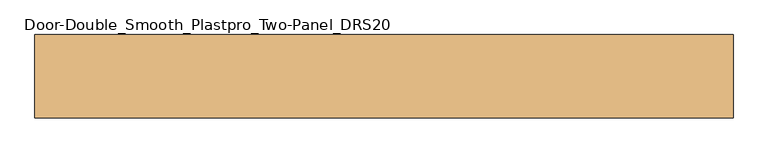
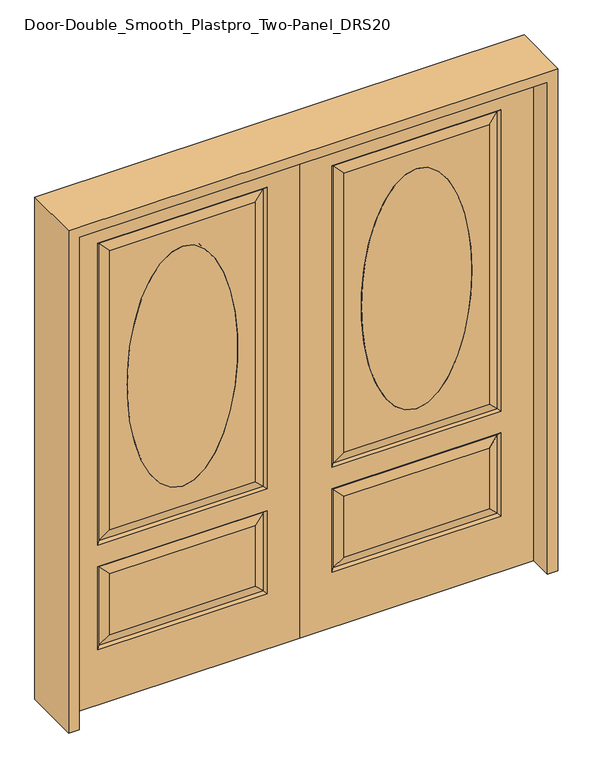
"""IFC4 building model written with IfcOpenShell, lengths in millimetres: door geometry, Door-Double_Smooth_Plastpro_Two-Panel_DRS20."""

from ifc_helpers import new_model, si_unit, point, frame, origin, place, context, project, spatial, polyline, ellipse_curve, trimmed, outline, extrude, source, transform, mapped, element, save
from ifc_brep_helpers import plane_surface, extruded_surface, advanced_brep


def door_double_smooth_plastpro_two_panel_drs20_0746bdea(model_context):
    return source(origin(), model_context, "Body", "SolidModel", [
        advanced_brep(
        [(-457.2, 20.6375, 1778.0), (-457.2, 20.6375, 787.4), (-457.2, -20.6375, 1778.0), (-457.2, -20.6375, 787.4)],
        [
            (0, 1, ellipse_curve(frame((-457.2, 20.6375, 1282.7), z_axis=(0.0, 1.0, 0.0), x_axis=(0.0, 0.0, -1.0)), 495.3, 215.9)),
            (1, 0, ellipse_curve(frame((-457.2, 20.6375, 1282.7), z_axis=(0.0, 1.0, 0.0), x_axis=(0.0, 0.0, -1.0)), 495.3, 215.9)),
            (2, 3, ellipse_curve(frame((-457.2, -20.6375, 1282.7), z_axis=(0.0, -1.0, 0.0), x_axis=(0.0, 0.0, -1.0)), 495.3, 215.9)),
            (3, 2, ellipse_curve(frame((-457.2, -20.6375, 1282.7), z_axis=(0.0, -1.0, 0.0), x_axis=(0.0, 0.0, -1.0)), 495.3, 215.9)),
            (3, 1),
            (0, 2),
        ],
        [
            plane_surface(frame((-457.2, 20.6375, 787.4), z_axis=(0.0, 1.0, 0.0), x_axis=(1.0, 0.0, 0.0))),
            plane_surface(frame((-457.2, -20.6375, 787.4), z_axis=(0.0, -1.0, 0.0), x_axis=(-1.0, 0.0, 0.0))),
            extruded_surface(trimmed(ellipse_curve(frame((-457.2, 20.6375, 1282.7), z_axis=(0.0, 1.0, 0.0), x_axis=(0.0, 0.0, -1.0)), 495.3, 215.9), [point((-457.2, 20.6375, 1778.0))], [point((-457.2, 20.6375, 787.4))], True, "CARTESIAN"), (0.0, 41.275000000000006, 0.0), 41.275000000000006),
            extruded_surface(trimmed(ellipse_curve(frame((-457.2, 20.6375, 1282.7), z_axis=(0.0, 1.0, 0.0), x_axis=(0.0, 0.0, -1.0)), 495.3, 215.9), [point((-457.2, 20.6375, 787.4))], [point((-457.2, 20.6375, 1778.0))], True, "CARTESIAN"), (0.0, 41.275000000000006, 0.0), 41.275000000000006),
        ],
        [
            (0, [[1, 2]]),
            (1, [[3, 4]]),
            (2, [[5, -1, 6, -4]]),
            (3, [[-6, -2, -5, -3]]),
        ],
    ),
        advanced_brep(
        [(-127.0, -20.6375, 228.6), (-127.0, -20.6375, 571.5), (-135.9802561, -11.6572439, 562.5197439), (-135.9802561, -11.6572439, 237.5802561), (-778.4197439, -11.6572439, 237.5802561), (-787.4, -20.6375, 228.6), (-914.4, 20.6375, 0.0), (0.0, 20.6375, 0.0), (0.0, -20.6375, 0.0), (-914.4, -20.6375, 0.0), (-914.4, -20.6375, 2032.0), (0.0, -20.6375, 2032.0), (-787.4, -20.6375, 660.4), (-787.4, -20.6375, 1905.0), (-127.0, -20.6375, 1905.0), (-127.0, -20.6375, 660.4), (-787.4, -20.6375, 571.5), (-173.0375, -20.6375, 274.6375), (-173.0375, -20.6375, 525.4625), (-741.3625, -20.6375, 525.4625), (-741.3625, -20.6375, 274.6375), (-173.0375, -20.6375, 706.4375), (-173.0375, -20.6375, 1858.9625), (-741.3625, -20.6375, 1858.9625), (-741.3625, -20.6375, 706.4375), (-457.2, -20.6375, 787.4), (-457.2, -20.6375, 1778.0), (-127.0, 20.6375, 1905.0), (-127.0, 20.6375, 660.4), (-135.9802561, 11.6572439, 669.3802561), (-135.9802561, 11.6572439, 1896.0197439), (-787.4, 20.6375, 660.4), (-778.4197439, 11.6572439, 669.3802561), (-778.4197439, 11.6572439, 1896.0197439), (-787.4, 20.6375, 1905.0), (-741.3625, 20.6375, 1858.9625), (-741.3625, 20.6375, 706.4375), (-173.0375, 20.6375, 706.4375), (-173.0375, 20.6375, 1858.9625), (-778.4197439, 11.6572439, 562.5197439), (-787.4, 20.6375, 571.5), (-127.0, 20.6375, 571.5), (-135.9802561, 11.6572439, 562.5197439), (-741.3625, 20.6375, 525.4625), (-741.3625, 20.6375, 274.6375), (-778.4197439, 11.6572439, 237.5802561), (-135.9802561, 11.6572439, 237.5802561), (-173.0375, 20.6375, 274.6375), (-173.0375, 20.6375, 525.4625), (-457.2, 20.6375, 1778.0), (-457.2, 20.6375, 787.4), (-135.9802561, -11.6572439, 1896.0197439), (-135.9802561, -11.6572439, 669.3802561), (-914.4, 20.6375, 2032.0), (0.0, 20.6375, 2032.0), (-787.4, 20.6375, 228.6), (-127.0, 20.6375, 228.6), (-778.4197439, -11.6572439, 669.3802561), (-778.4197439, -11.6572439, 1896.0197439), (-778.4197439, -11.6572439, 562.5197439)],
        [
            (0, 1),
            (1, 2),
            (2, 3),
            (3, 0),
            (4, 5),
            (5, 0),
            (3, 4),
            (6, 7),
            (7, 8),
            (8, 9),
            (9, 6),
            (10, 9),
            (8, 11),
            (11, 10),
            (12, 13),
            (13, 14),
            (14, 15),
            (15, 12),
            (5, 16),
            (16, 1),
            (17, 18),
            (18, 19),
            (19, 20),
            (20, 17),
            (21, 22),
            (22, 23),
            (23, 24),
            (24, 21),
            (25, 26, ellipse_curve(frame((-457.2, -20.6375, 1282.7), z_axis=(0.0, 1.0, 0.0), x_axis=(0.0, 0.0, -1.0)), 495.3, 215.9)),
            (26, 25, ellipse_curve(frame((-457.2, -20.6375, 1282.7), z_axis=(0.0, 1.0, 0.0), x_axis=(0.0, 0.0, -1.0)), 495.3, 215.9)),
            (27, 28),
            (28, 29),
            (29, 30),
            (30, 27),
            (28, 31),
            (31, 32),
            (32, 29),
            (33, 32),
            (31, 34),
            (34, 33),
            (35, 36),
            (36, 32),
            (33, 35),
            (36, 37),
            (37, 29),
            (37, 38),
            (38, 30),
            (39, 40),
            (40, 41),
            (41, 42),
            (42, 39),
            (43, 44),
            (44, 45),
            (45, 39),
            (39, 43),
            (42, 46),
            (46, 47),
            (47, 48),
            (48, 42),
            (26, 49),
            (49, 50, ellipse_curve(frame((-457.2, 20.6375, 1282.7), z_axis=(0.0, 1.0, 0.0), x_axis=(0.0, 0.0, -1.0)), 495.3, 215.9)),
            (50, 25),
            (14, 51),
            (51, 52),
            (52, 15),
            (51, 22),
            (21, 52),
            (53, 6),
            (10, 53),
            (7, 54),
            (54, 11),
            (53, 54),
            (40, 55),
            (55, 56),
            (56, 41),
            (27, 34),
            (47, 44),
            (43, 48),
            (35, 38),
            (49, 50, ellipse_curve(frame((-457.2, 20.6375, 1282.7), z_axis=(0.0, -1.0, 0.0), x_axis=(0.0, 0.0, -1.0)), 495.3, 215.9)),
            (56, 46),
            (55, 45),
            (45, 46),
            (57, 12),
            (52, 57),
            (57, 58),
            (58, 13),
            (24, 57),
            (23, 58),
            (16, 59),
            (59, 2),
            (4, 59),
            (3, 17),
            (20, 4),
            (19, 59),
            (18, 2),
            (58, 51),
            (30, 33),
        ],
        [
            plane_surface(frame((-127.0, -20.6375, 228.6), z_axis=(-0.7071067811865462, -0.7071067811865489, 0.0), x_axis=(0.0, 0.0, 1.0))),
            plane_surface(frame((-787.4, -20.6375, 228.6), z_axis=(0.0, -0.7071067811865489, 0.7071067811865462), x_axis=(1.0, 0.0, 0.0))),
            plane_surface(frame((0.0, 20.6375, 0.0), z_axis=(0.0, 0.0, -1.0), x_axis=(-1.0, 0.0, 0.0))),
            plane_surface(frame((0.0, -20.6375, 2032.0), z_axis=(0.0, -1.0, 0.0), x_axis=(0.0, 0.0, -1.0))),
            plane_surface(frame((-127.0, 20.6375, 1905.0), z_axis=(-0.7071067811865436, 0.7071067811865516, 0.0), x_axis=(0.0, 0.0, -1.0))),
            plane_surface(frame((-127.0, 20.6375, 660.4), z_axis=(0.0, 0.7071067811865516, 0.7071067811865436), x_axis=(-1.0, 0.0, 0.0))),
            plane_surface(frame((-787.4, 20.6375, 660.4), z_axis=(0.7071067811865436, 0.7071067811865516, 0.0), x_axis=(0.0, 0.0, 1.0))),
            plane_surface(frame((-778.4197439, 11.6572439, 669.3802561), z_axis=(-0.2355178326930706, 0.9718700275672457, 0.0), x_axis=(0.0, 0.0, 1.0))),
            plane_surface(frame((-135.9802561, 11.6572439, 669.3802561), z_axis=(0.0, 0.9718700275672457, -0.2355178326930706), x_axis=(-1.0, 0.0, 0.0))),
            plane_surface(frame((-135.9802561, 11.6572439, 1896.0197439), z_axis=(0.2355178326930706, 0.9718700275672457, 0.0), x_axis=(0.0, 0.0, -1.0))),
            plane_surface(frame((-787.4, 20.6375, 571.5), z_axis=(0.0, 0.7071067811865542, -0.7071067811865409), x_axis=(1.0, 0.0, 0.0))),
            plane_surface(frame((-778.4197439, 11.6572439, 237.5802561), z_axis=(-0.2355178326930706, 0.9718700275672457, 0.0), x_axis=(0.0, 0.0, 1.0))),
            plane_surface(frame((-135.9802561, 11.6572439, 562.5197439), z_axis=(0.2355178326930706, 0.9718700275672457, 0.0), x_axis=(0.0, 0.0, -1.0))),
            extruded_surface(trimmed(ellipse_curve(frame((-457.2, 61.9125, 1282.7), z_axis=(0.0, 1.0, 0.0), x_axis=(0.0, 0.0, -1.0)), 495.3, 215.9), [point((-457.2, 61.9125, 1778.0))], [point((-457.2, 61.9125, 787.4))], True, "CARTESIAN"), (0.0, -41.275000000000006, 0.0), 41.275000000000006),
            plane_surface(frame((-127.0, -20.6375, 660.4), z_axis=(-0.7071067811865486, -0.7071067811865466, 0.0), x_axis=(0.0, 0.0, 1.0))),
            plane_surface(frame((-135.9802561, -11.6572439, 669.3802561), z_axis=(0.23551783269307167, -0.9718700275672454, 0.0), x_axis=(0.0, 0.0, 1.0))),
            plane_surface(frame((-914.4, -20.6375, 2032.0), z_axis=(-1.0, 0.0, 0.0), x_axis=(0.0, 0.0, -1.0))),
            plane_surface(frame((0.0, 20.6375, 2032.0), z_axis=(1.0, 0.0, 0.0), x_axis=(0.0, 0.0, -1.0))),
            plane_surface(frame((-914.4, 20.6375, 2032.0), z_axis=(0.0, 1.0, 0.0), x_axis=(0.0, 0.0, -1.0))),
            plane_surface(frame((-127.0, 20.6375, 571.5), z_axis=(-0.7071067811865409, 0.7071067811865542, 0.0), x_axis=(0.0, 0.0, -1.0))),
            plane_surface(frame((-127.0, 20.6375, 228.6), z_axis=(0.0, 0.7071067811865542, 0.7071067811865409), x_axis=(-1.0, 0.0, 0.0))),
            plane_surface(frame((-787.4, 20.6375, 228.6), z_axis=(0.7071067811865409, 0.7071067811865542, 0.0), x_axis=(0.0, 0.0, 1.0))),
            plane_surface(frame((-778.4197439, 11.6572439, 562.5197439), z_axis=(0.0, 0.9718700275672457, 0.2355178326930706), x_axis=(1.0, 0.0, 0.0))),
            plane_surface(frame((-135.9802561, 11.6572439, 237.5802561), z_axis=(0.0, 0.9718700275672457, -0.2355178326930706), x_axis=(-1.0, 0.0, 0.0))),
            extruded_surface(trimmed(ellipse_curve(frame((-457.2, 61.9125, 1282.7), z_axis=(0.0, 1.0, 0.0), x_axis=(0.0, 0.0, -1.0)), 495.3, 215.9), [point((-457.2, 61.9125, 787.4))], [point((-457.2, 61.9125, 1778.0))], True, "CARTESIAN"), (0.0, -41.275000000000006, 0.0), 41.275000000000006),
            plane_surface(frame((-787.4, -20.6375, 660.4), z_axis=(0.0, -0.7071067811865466, 0.7071067811865486), x_axis=(1.0, 0.0, 0.0))),
            plane_surface(frame((-787.4, -20.6375, 1905.0), z_axis=(0.7071067811865486, -0.7071067811865466, 0.0), x_axis=(0.0, 0.0, -1.0))),
            plane_surface(frame((-778.4197439, -11.6572439, 669.3802561), z_axis=(0.0, -0.9718700275672454, -0.23551783269307167), x_axis=(1.0, 0.0, 0.0))),
            plane_surface(frame((-778.4197439, -11.6572439, 1896.0197439), z_axis=(-0.23551783269307167, -0.9718700275672454, 0.0), x_axis=(0.0, 0.0, -1.0))),
            plane_surface(frame((-127.0, -20.6375, 571.5), z_axis=(0.0, -0.7071067811865489, -0.7071067811865462), x_axis=(-1.0, 0.0, 0.0))),
            plane_surface(frame((-787.4, -20.6375, 571.5), z_axis=(0.7071067811865462, -0.7071067811865489, 0.0), x_axis=(0.0, 0.0, -1.0))),
            plane_surface(frame((-778.4197439, -11.6572439, 237.5802561), z_axis=(0.0, -0.9718700275672454, -0.2355178326930719), x_axis=(1.0, 0.0, 0.0))),
            plane_surface(frame((-778.4197439, -11.6572439, 562.5197439), z_axis=(-0.2355178326930719, -0.9718700275672454, 0.0), x_axis=(0.0, 0.0, -1.0))),
            plane_surface(frame((-135.9802561, -11.6572439, 562.5197439), z_axis=(0.0, -0.9718700275672454, 0.2355178326930719), x_axis=(-1.0, 0.0, 0.0))),
            plane_surface(frame((-135.9802561, -11.6572439, 237.5802561), z_axis=(0.2355178326930719, -0.9718700275672454, 0.0), x_axis=(0.0, 0.0, 1.0))),
            plane_surface(frame((0.0, 20.6375, 2032.0), z_axis=(0.0, 0.0, 1.0), x_axis=(1.0, 0.0, 0.0))),
            plane_surface(frame((-127.0, -20.6375, 1905.0), z_axis=(0.0, -0.7071067811865466, -0.7071067811865486), x_axis=(-1.0, 0.0, 0.0))),
            plane_surface(frame((-135.9802561, -11.6572439, 1896.0197439), z_axis=(0.0, -0.9718700275672454, 0.23551783269307167), x_axis=(-1.0, 0.0, 0.0))),
            plane_surface(frame((-787.4, 20.6375, 1905.0), z_axis=(0.0, 0.7071067811865516, -0.7071067811865436), x_axis=(1.0, 0.0, 0.0))),
            plane_surface(frame((-778.4197439, 11.6572439, 1896.0197439), z_axis=(0.0, 0.9718700275672457, 0.2355178326930706), x_axis=(1.0, 0.0, 0.0))),
        ],
        [
            (0, [[1, 2, 3, 4]]),
            (1, [[5, 6, -4, 7]]),
            (2, [[8, 9, 10, 11]]),
            (3, [[12, -10, 13, 14], [15, 16, 17, 18], [19, 20, -1, -6]]),
            (3, [[21, 22, 23, 24]]),
            (3, [[25, 26, 27, 28], [29, 30]]),
            (4, [[31, 32, 33, 34]]),
            (5, [[35, 36, 37, -32]]),
            (6, [[38, -36, 39, 40]]),
            (7, [[41, 42, -38, 43]]),
            (8, [[-37, -42, 44, 45]]),
            (9, [[-33, -45, 46, 47]]),
            (10, [[48, 49, 50, 51]]),
            (11, [[52, 53, 54, 55]]),
            (12, [[56, 57, 58, 59]]),
            (13, [[-30, 60, 61, 62]]),
            (14, [[-17, 63, 64, 65]]),
            (15, [[-64, 66, -25, 67]]),
            (16, [[68, -11, -12, 69]]),
            (17, [[-13, -9, 70, 71]]),
            (18, [[-70, -8, -68, 72], [73, 74, 75, -49], [-39, -35, -31, 76]]),
            (18, [[-58, 77, -52, 78]]),
            (18, [[-46, -44, -41, 79], [80, -61]]),
            (19, [[-75, 81, -56, -50]]),
            (20, [[-74, 82, 83, -81]]),
            (21, [[-54, -82, -73, -48]]),
            (22, [[-59, -78, -55, -51]]),
            (23, [[-83, -53, -77, -57]]),
            (24, [[-80, -60, -29, -62]]),
            (25, [[84, -18, -65, 85]]),
            (26, [[86, 87, -15, -84]]),
            (27, [[-67, -28, 88, -85]]),
            (28, [[-27, 89, -86, -88]]),
            (29, [[-20, 90, 91, -2]]),
            (30, [[92, -90, -19, -5]]),
            (31, [[93, -24, 94, -7]]),
            (32, [[-23, 95, -92, -94]]),
            (33, [[-91, -95, -22, 96]]),
            (34, [[-3, -96, -21, -93]]),
            (35, [[-69, -14, -71, -72]]),
            (36, [[-16, -87, 97, -63]]),
            (37, [[-97, -89, -26, -66]]),
            (38, [[-40, -76, -34, 98]]),
            (39, [[-47, -79, -43, -98]]),
        ],
    ),
        advanced_brep(
        [(457.2, 20.6375, 1778.0), (457.2, 20.6375, 787.4), (457.2, -20.6375, 1778.0), (457.2, -20.6375, 787.4)],
        [
            (0, 1, ellipse_curve(frame((457.2, 20.6375, 1282.7), z_axis=(0.0, 1.0, 0.0), x_axis=(0.0, 0.0, -1.0)), 495.3, 215.9)),
            (1, 0, ellipse_curve(frame((457.2, 20.6375, 1282.7), z_axis=(0.0, 1.0, 0.0), x_axis=(0.0, 0.0, -1.0)), 495.3, 215.9)),
            (2, 3, ellipse_curve(frame((457.2, -20.6375, 1282.7), z_axis=(0.0, -1.0, 0.0), x_axis=(0.0, 0.0, -1.0)), 495.3, 215.9)),
            (3, 2, ellipse_curve(frame((457.2, -20.6375, 1282.7), z_axis=(0.0, -1.0, 0.0), x_axis=(0.0, 0.0, -1.0)), 495.3, 215.9)),
            (2, 0),
            (1, 3),
        ],
        [
            plane_surface(frame((457.2, 20.6375, 787.4), z_axis=(0.0, 1.0, 0.0), x_axis=(-1.0, 0.0, 0.0))),
            plane_surface(frame((457.2, -20.6375, 787.4), z_axis=(0.0, -1.0, 0.0), x_axis=(1.0, 0.0, 0.0))),
            extruded_surface(trimmed(ellipse_curve(frame((457.2, 61.9125, 1282.7), z_axis=(0.0, -1.0, 0.0), x_axis=(0.0, 0.0, -1.0)), 495.3, 215.9), [point((457.2, 61.9125, 1778.0))], [point((457.2, 61.9125, 787.4))], True, "CARTESIAN"), (0.0, -41.275000000000006, 0.0), 41.275000000000006),
            extruded_surface(trimmed(ellipse_curve(frame((457.2, 61.9125, 1282.7), z_axis=(0.0, -1.0, 0.0), x_axis=(0.0, 0.0, -1.0)), 495.3, 215.9), [point((457.2, 61.9125, 787.4))], [point((457.2, 61.9125, 1778.0))], True, "CARTESIAN"), (0.0, -41.275000000000006, 0.0), 41.275000000000006),
        ],
        [
            (0, [[1, 2]]),
            (1, [[3, 4]]),
            (2, [[-3, 5, -2, 6]]),
            (3, [[-4, -6, -1, -5]]),
        ],
    ),
        advanced_brep(
        [(127.0, -20.6375, 228.6), (135.9802561, -11.6572439, 237.5802561), (135.9802561, -11.6572439, 562.5197439), (127.0, -20.6375, 571.5), (778.4197439, -11.6572439, 237.5802561), (787.4, -20.6375, 228.6), (914.4, 20.6375, 0.0), (914.4, -20.6375, 0.0), (0.0, -20.6375, 0.0), (0.0, 20.6375, 0.0), (173.0375, -20.6375, 706.4375), (741.3625, -20.6375, 706.4375), (741.3625, -20.6375, 1858.9625), (173.0375, -20.6375, 1858.9625), (457.2, -20.6375, 787.4), (457.2, -20.6375, 1778.0), (173.0375, -20.6375, 274.6375), (741.3625, -20.6375, 274.6375), (741.3625, -20.6375, 525.4625), (173.0375, -20.6375, 525.4625), (914.4, -20.6375, 2032.0), (0.0, -20.6375, 2032.0), (787.4, -20.6375, 660.4), (127.0, -20.6375, 660.4), (127.0, -20.6375, 1905.0), (787.4, -20.6375, 1905.0), (787.4, -20.6375, 571.5), (127.0, 20.6375, 1905.0), (135.9802561, 11.6572439, 1896.0197439), (135.9802561, 11.6572439, 669.3802561), (127.0, 20.6375, 660.4), (778.4197439, 11.6572439, 669.3802561), (787.4, 20.6375, 660.4), (778.4197439, 11.6572439, 1896.0197439), (787.4, 20.6375, 1905.0), (741.3625, 20.6375, 1858.9625), (741.3625, 20.6375, 706.4375), (173.0375, 20.6375, 706.4375), (173.0375, 20.6375, 1858.9625), (778.4197439, 11.6572439, 562.5197439), (135.9802561, 11.6572439, 562.5197439), (127.0, 20.6375, 571.5), (787.4, 20.6375, 571.5), (741.3625, 20.6375, 525.4625), (778.4197439, 11.6572439, 237.5802561), (741.3625, 20.6375, 274.6375), (173.0375, 20.6375, 525.4625), (173.0375, 20.6375, 274.6375), (135.9802561, 11.6572439, 237.5802561), (457.2, 20.6375, 787.4), (457.2, 20.6375, 1778.0), (135.9802561, -11.6572439, 669.3802561), (135.9802561, -11.6572439, 1896.0197439), (914.4, 20.6375, 2032.0), (0.0, 20.6375, 2032.0), (127.0, 20.6375, 228.6), (787.4, 20.6375, 228.6), (778.4197439, -11.6572439, 669.3802561), (778.4197439, -11.6572439, 1896.0197439), (778.4197439, -11.6572439, 562.5197439)],
        [
            (0, 1),
            (1, 2),
            (2, 3),
            (3, 0),
            (4, 1),
            (0, 5),
            (5, 4),
            (6, 7),
            (7, 8),
            (8, 9),
            (9, 6),
            (10, 11),
            (11, 12),
            (12, 13),
            (13, 10),
            (14, 15, ellipse_curve(frame((457.2, -20.6375, 1282.7), z_axis=(0.0, 1.0, 0.0), x_axis=(0.0, 0.0, -1.0)), 495.3, 215.9)),
            (15, 14, ellipse_curve(frame((457.2, -20.6375, 1282.7), z_axis=(0.0, 1.0, 0.0), x_axis=(0.0, 0.0, -1.0)), 495.3, 215.9)),
            (16, 17),
            (17, 18),
            (18, 19),
            (19, 16),
            (20, 21),
            (21, 8),
            (7, 20),
            (22, 23),
            (23, 24),
            (24, 25),
            (25, 22),
            (3, 26),
            (26, 5),
            (27, 28),
            (28, 29),
            (29, 30),
            (30, 27),
            (29, 31),
            (31, 32),
            (32, 30),
            (33, 34),
            (34, 32),
            (31, 33),
            (35, 33),
            (31, 36),
            (36, 35),
            (29, 37),
            (37, 36),
            (28, 38),
            (38, 37),
            (39, 40),
            (40, 41),
            (41, 42),
            (42, 39),
            (43, 39),
            (39, 44),
            (44, 45),
            (45, 43),
            (40, 46),
            (46, 47),
            (47, 48),
            (48, 40),
            (14, 49),
            (49, 50, ellipse_curve(frame((457.2, 20.6375, 1282.7), z_axis=(0.0, 1.0, 0.0), x_axis=(0.0, 0.0, -1.0)), 495.3, 215.9)),
            (50, 15),
            (23, 51),
            (51, 52),
            (52, 24),
            (51, 10),
            (13, 52),
            (53, 20),
            (6, 53),
            (21, 54),
            (54, 9),
            (46, 43),
            (45, 47),
            (38, 35),
            (49, 50, ellipse_curve(frame((457.2, 20.6375, 1282.7), z_axis=(0.0, -1.0, 0.0), x_axis=(0.0, 0.0, -1.0)), 495.3, 215.9)),
            (54, 53),
            (41, 55),
            (55, 56),
            (56, 42),
            (34, 27),
            (48, 55),
            (48, 44),
            (44, 56),
            (57, 51),
            (22, 57),
            (25, 58),
            (58, 57),
            (57, 11),
            (58, 12),
            (2, 59),
            (59, 26),
            (59, 4),
            (4, 17),
            (16, 1),
            (59, 18),
            (2, 19),
            (52, 58),
            (33, 28),
        ],
        [
            plane_surface(frame((127.0, -20.6375, 228.6), z_axis=(0.7071067811865462, -0.7071067811865489, 0.0), x_axis=(0.0, 0.0, 1.0))),
            plane_surface(frame((787.4, -20.6375, 228.6), z_axis=(0.0, -0.7071067811865489, 0.7071067811865462), x_axis=(-1.0, 0.0, 0.0))),
            plane_surface(frame((0.0, 20.6375, 0.0), z_axis=(0.0, 0.0, -1.0), x_axis=(1.0, 0.0, 0.0))),
            plane_surface(frame((0.0, -20.6375, 2032.0), z_axis=(0.0, -1.0, 0.0), x_axis=(0.0, 0.0, -1.0))),
            plane_surface(frame((127.0, 20.6375, 1905.0), z_axis=(0.7071067811865436, 0.7071067811865516, 0.0), x_axis=(0.0, 0.0, -1.0))),
            plane_surface(frame((127.0, 20.6375, 660.4), z_axis=(0.0, 0.7071067811865516, 0.7071067811865436), x_axis=(1.0, 0.0, 0.0))),
            plane_surface(frame((787.4, 20.6375, 660.4), z_axis=(-0.7071067811865436, 0.7071067811865516, 0.0), x_axis=(0.0, 0.0, 1.0))),
            plane_surface(frame((778.4197439, 11.6572439, 669.3802561), z_axis=(0.2355178326930706, 0.9718700275672457, 0.0), x_axis=(0.0, 0.0, 1.0))),
            plane_surface(frame((135.9802561, 11.6572439, 669.3802561), z_axis=(0.0, 0.9718700275672457, -0.2355178326930706), x_axis=(1.0, 0.0, 0.0))),
            plane_surface(frame((135.9802561, 11.6572439, 1896.0197439), z_axis=(-0.2355178326930706, 0.9718700275672457, 0.0), x_axis=(0.0, 0.0, -1.0))),
            plane_surface(frame((787.4, 20.6375, 571.5), z_axis=(0.0, 0.7071067811865542, -0.7071067811865409), x_axis=(-1.0, 0.0, 0.0))),
            plane_surface(frame((778.4197439, 11.6572439, 237.5802561), z_axis=(0.2355178326930706, 0.9718700275672457, 0.0), x_axis=(0.0, 0.0, 1.0))),
            plane_surface(frame((135.9802561, 11.6572439, 562.5197439), z_axis=(-0.2355178326930706, 0.9718700275672457, 0.0), x_axis=(0.0, 0.0, -1.0))),
            extruded_surface(trimmed(ellipse_curve(frame((457.2, 20.6375, 1282.7), z_axis=(0.0, -1.0, 0.0), x_axis=(0.0, 0.0, -1.0)), 495.3, 215.9), [point((457.2, 20.6375, 1778.0))], [point((457.2, 20.6375, 787.4))], True, "CARTESIAN"), (0.0, 41.275000000000006, 0.0), 41.275000000000006),
            plane_surface(frame((127.0, -20.6375, 660.4), z_axis=(0.7071067811865486, -0.7071067811865466, 0.0), x_axis=(0.0, 0.0, 1.0))),
            plane_surface(frame((135.9802561, -11.6572439, 669.3802561), z_axis=(-0.23551783269307167, -0.9718700275672454, 0.0), x_axis=(0.0, 0.0, 1.0))),
            plane_surface(frame((914.4, -20.6375, 2032.0), z_axis=(1.0, 0.0, 0.0), x_axis=(0.0, 0.0, -1.0))),
            plane_surface(frame((0.0, 20.6375, 2032.0), z_axis=(-1.0, 0.0, 0.0), x_axis=(0.0, 0.0, -1.0))),
            plane_surface(frame((914.4, 20.6375, 2032.0), z_axis=(0.0, 1.0, 0.0), x_axis=(0.0, 0.0, -1.0))),
            plane_surface(frame((127.0, 20.6375, 571.5), z_axis=(0.7071067811865409, 0.7071067811865542, 0.0), x_axis=(0.0, 0.0, -1.0))),
            plane_surface(frame((127.0, 20.6375, 228.6), z_axis=(0.0, 0.7071067811865542, 0.7071067811865409), x_axis=(1.0, 0.0, 0.0))),
            plane_surface(frame((787.4, 20.6375, 228.6), z_axis=(-0.7071067811865409, 0.7071067811865542, 0.0), x_axis=(0.0, 0.0, 1.0))),
            plane_surface(frame((778.4197439, 11.6572439, 562.5197439), z_axis=(0.0, 0.9718700275672457, 0.2355178326930706), x_axis=(-1.0, 0.0, 0.0))),
            plane_surface(frame((135.9802561, 11.6572439, 237.5802561), z_axis=(0.0, 0.9718700275672457, -0.2355178326930706), x_axis=(1.0, 0.0, 0.0))),
            extruded_surface(trimmed(ellipse_curve(frame((457.2, 20.6375, 1282.7), z_axis=(0.0, -1.0, 0.0), x_axis=(0.0, 0.0, -1.0)), 495.3, 215.9), [point((457.2, 20.6375, 787.4))], [point((457.2, 20.6375, 1778.0))], True, "CARTESIAN"), (0.0, 41.275000000000006, 0.0), 41.275000000000006),
            plane_surface(frame((787.4, -20.6375, 660.4), z_axis=(0.0, -0.7071067811865466, 0.7071067811865486), x_axis=(-1.0, 0.0, 0.0))),
            plane_surface(frame((787.4, -20.6375, 1905.0), z_axis=(-0.7071067811865486, -0.7071067811865466, 0.0), x_axis=(0.0, 0.0, -1.0))),
            plane_surface(frame((778.4197439, -11.6572439, 669.3802561), z_axis=(0.0, -0.9718700275672454, -0.23551783269307167), x_axis=(-1.0, 0.0, 0.0))),
            plane_surface(frame((778.4197439, -11.6572439, 1896.0197439), z_axis=(0.23551783269307167, -0.9718700275672454, 0.0), x_axis=(0.0, 0.0, -1.0))),
            plane_surface(frame((127.0, -20.6375, 571.5), z_axis=(0.0, -0.7071067811865489, -0.7071067811865462), x_axis=(1.0, 0.0, 0.0))),
            plane_surface(frame((787.4, -20.6375, 571.5), z_axis=(-0.7071067811865462, -0.7071067811865489, 0.0), x_axis=(0.0, 0.0, -1.0))),
            plane_surface(frame((778.4197439, -11.6572439, 237.5802561), z_axis=(0.0, -0.9718700275672454, -0.2355178326930719), x_axis=(-1.0, 0.0, 0.0))),
            plane_surface(frame((778.4197439, -11.6572439, 562.5197439), z_axis=(0.2355178326930719, -0.9718700275672454, 0.0), x_axis=(0.0, 0.0, -1.0))),
            plane_surface(frame((135.9802561, -11.6572439, 562.5197439), z_axis=(0.0, -0.9718700275672454, 0.2355178326930719), x_axis=(1.0, 0.0, 0.0))),
            plane_surface(frame((135.9802561, -11.6572439, 237.5802561), z_axis=(-0.2355178326930719, -0.9718700275672454, 0.0), x_axis=(0.0, 0.0, 1.0))),
            plane_surface(frame((0.0, 20.6375, 2032.0), z_axis=(0.0, 0.0, 1.0), x_axis=(-1.0, 0.0, 0.0))),
            plane_surface(frame((127.0, -20.6375, 1905.0), z_axis=(0.0, -0.7071067811865466, -0.7071067811865486), x_axis=(1.0, 0.0, 0.0))),
            plane_surface(frame((135.9802561, -11.6572439, 1896.0197439), z_axis=(0.0, -0.9718700275672454, 0.23551783269307167), x_axis=(1.0, 0.0, 0.0))),
            plane_surface(frame((787.4, 20.6375, 1905.0), z_axis=(0.0, 0.7071067811865516, -0.7071067811865436), x_axis=(-1.0, 0.0, 0.0))),
            plane_surface(frame((778.4197439, 11.6572439, 1896.0197439), z_axis=(0.0, 0.9718700275672457, 0.2355178326930706), x_axis=(-1.0, 0.0, 0.0))),
        ],
        [
            (0, [[1, 2, 3, 4]]),
            (1, [[5, -1, 6, 7]]),
            (2, [[8, 9, 10, 11]]),
            (3, [[12, 13, 14, 15], [16, 17]]),
            (3, [[18, 19, 20, 21]]),
            (3, [[22, 23, -9, 24], [25, 26, 27, 28], [-6, -4, 29, 30]]),
            (4, [[31, 32, 33, 34]]),
            (5, [[-33, 35, 36, 37]]),
            (6, [[38, 39, -36, 40]]),
            (7, [[41, -40, 42, 43]]),
            (8, [[44, 45, -42, -35]]),
            (9, [[46, 47, -44, -32]]),
            (10, [[48, 49, 50, 51]]),
            (11, [[52, 53, 54, 55]]),
            (12, [[56, 57, 58, 59]]),
            (13, [[60, 61, 62, -16]]),
            (14, [[63, 64, 65, -26]]),
            (15, [[66, -15, 67, -64]]),
            (16, [[68, -24, -8, 69]]),
            (17, [[70, 71, -10, -23]]),
            (18, [[72, -55, 73, -57]]),
            (18, [[74, -43, -45, -47], [-61, 75]]),
            (18, [[76, -69, -11, -71], [-50, 77, 78, 79], [80, -34, -37, -39]]),
            (19, [[-49, -59, 81, -77]]),
            (20, [[-81, 82, 83, -78]]),
            (21, [[-51, -79, -83, -53]]),
            (22, [[-48, -52, -72, -56]]),
            (23, [[-58, -73, -54, -82]]),
            (24, [[-60, -17, -62, -75]]),
            (25, [[84, -63, -25, 85]]),
            (26, [[-85, -28, 86, 87]]),
            (27, [[-84, 88, -12, -66]]),
            (28, [[-88, -87, 89, -13]]),
            (29, [[-3, 90, 91, -29]]),
            (30, [[-7, -30, -91, 92]]),
            (31, [[-5, 93, -18, 94]]),
            (32, [[-93, -92, 95, -19]]),
            (33, [[96, -20, -95, -90]]),
            (34, [[-94, -21, -96, -2]]),
            (35, [[-76, -70, -22, -68]]),
            (36, [[-65, 97, -86, -27]]),
            (37, [[-67, -14, -89, -97]]),
            (38, [[98, -31, -80, -38]]),
            (39, [[-98, -41, -74, -46]]),
        ],
    ),
        extrude(outline(polyline([(2073.275, -955.675), (0.0, -955.675), (0.0, -914.4), (2032.0, -914.4), (2032.0, 914.4), (0.0, 914.4), (0.0, 955.675), (2073.275, 955.675), (2073.275, -955.675)])), frame((0.0, -114.3, 0.0), z_axis=(0.0, 1.0, 0.0), x_axis=(0.0, 0.0, 1.0)), (0.0, 0.0, 1.0), 228.6),
    ])


if __name__ == "__main__":
    model = new_model("IFC4")
    model_context = context("Model", 3, world=origin())
    ifc_project = project(units=[si_unit("LENGTHUNIT", "METRE", prefix="MILLI")], contexts=[model_context])
    site = spatial("IfcSite", under=ifc_project)
    building = spatial("IfcBuilding", under=site)
    placement = place(None, origin())
    door_double_smooth_plastpro_two_panel_drs20_shape = door_double_smooth_plastpro_two_panel_drs20_0746bdea(model_context)
    element("IfcDoor", 1, ObjectType="Door-Double_Smooth_Plastpro_Two-Panel_DRS20", at=placement, inside=building, context=model_context, shape_type="MappedRepresentation", body=[
        mapped(door_double_smooth_plastpro_two_panel_drs20_shape, transform((0.0, 0.0, 0.0), x_axis=(1.0, 0.0, 0.0), y_axis=(0.0, 1.0, 0.0), z_axis=(0.0, 0.0, 1.0))),
    ])
    save(model, "model.ifc")
